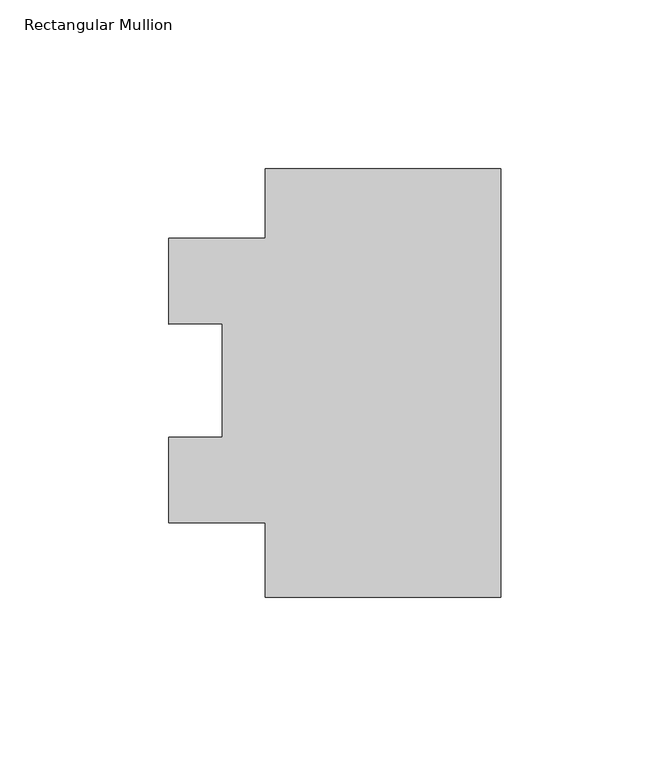
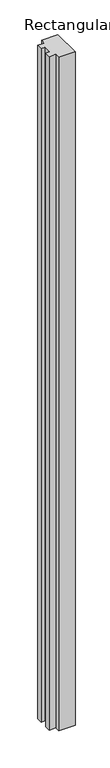
"""IFC4 building model written with IfcOpenShell, lengths in millimetres: member geometry, Rectangular Mullion."""

from ifc_helpers import new_model, si_unit, frame, origin, place, context, project, spatial, polyline, outline, extrude, source, transform, mapped, element, save


def rectangular_mullion_92a6de3c(model_context):
    return source(origin(), model_context, "Body", "SweptSolid", [
        extrude(outline(polyline([(-69.85, 62.69803), (0.0, 62.69803), (0.0, -64.30197), (-69.85, -64.30197), (-69.85, -42.17857), (-98.425, -42.17857), (-98.425, -16.84207), (-82.55, -16.84207), (-82.55, 16.7827421), (-98.425, 16.5886929), (-98.425, 42.14943), (-69.85, 42.14943), (-69.85, 62.69803)])), frame((0.0, 0.0, -3048.0), z_axis=(0.0, 0.0, 1.0), x_axis=(1.0, 0.0, 0.0)), (0.0, 0.0, 1.0), 3048.0),
    ])


if __name__ == "__main__":
    model = new_model("IFC4")
    model_context = context("Model", 3, world=origin())
    ifc_project = project(units=[si_unit("LENGTHUNIT", "METRE", prefix="MILLI")], contexts=[model_context])
    site = spatial("IfcSite", under=ifc_project)
    building = spatial("IfcBuilding", under=site)
    placement = place(None, origin())
    rectangular_mullion_shape = rectangular_mullion_92a6de3c(model_context)
    element("IfcMember", 1, ObjectType="Rectangular Mullion", at=placement, inside=building, context=model_context, shape_type="MappedRepresentation", body=[
        mapped(rectangular_mullion_shape, transform((0.0, 0.0, 0.0), x_axis=(1.0, 0.0, 0.0), y_axis=(0.0, 1.0, 0.0), z_axis=(0.0, 0.0, 1.0))),
    ])
    save(model, "model.ifc")
